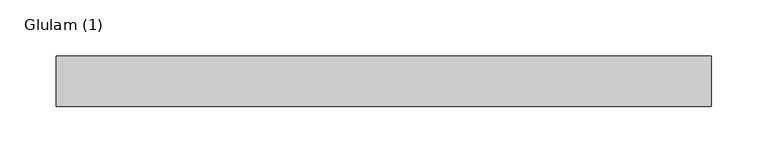
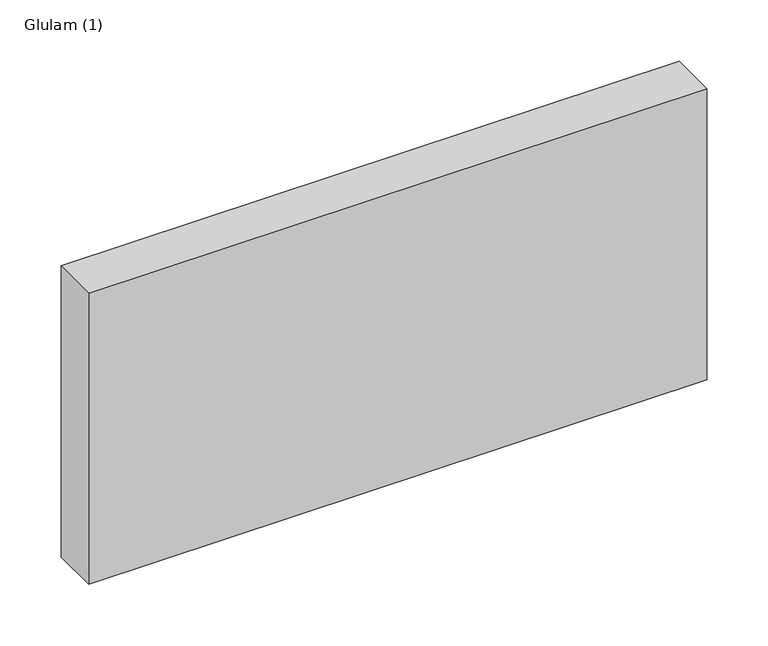
"""IFC4 building model written with IfcOpenShell, lengths in millimetres: beam geometry, Glulam (1)."""

from ifc_helpers import new_model, si_unit, frame, origin, place, context, project, spatial, polyline, outline, extrude, source, transform, mapped, element, save


def glulam_1_446f1f37(model_context):
    return source(origin(), model_context, "Body", "SweptSolid", [
        extrude(outline(polyline([(289.5, 22.5), (289.5, -22.5), (-292.5, -22.5), (-292.5, 22.5), (289.5, 22.5)])), frame((0.0, 0.0, -145.0), z_axis=(0.0, 0.0, 1.0), x_axis=(1.0, 0.0, 0.0)), (0.0, 0.0, 1.0), 290.0),
    ])


if __name__ == "__main__":
    model = new_model("IFC4")
    model_context = context("Model", 3, world=origin())
    ifc_project = project(units=[si_unit("LENGTHUNIT", "METRE", prefix="MILLI")], contexts=[model_context])
    site = spatial("IfcSite", under=ifc_project)
    building = spatial("IfcBuilding", under=site)
    placement = place(None, origin())
    glulam_1_shape = glulam_1_446f1f37(model_context)
    element("IfcBeam", 1, ObjectType="Glulam (1)", at=placement, inside=building, context=model_context, shape_type="MappedRepresentation", body=[
        mapped(glulam_1_shape, transform((0.0, 0.0, 0.0), x_axis=(1.0, 0.0, 0.0), y_axis=(0.0, 1.0, 0.0), z_axis=(0.0, 0.0, 1.0))),
    ])
    save(model, "model.ifc")
